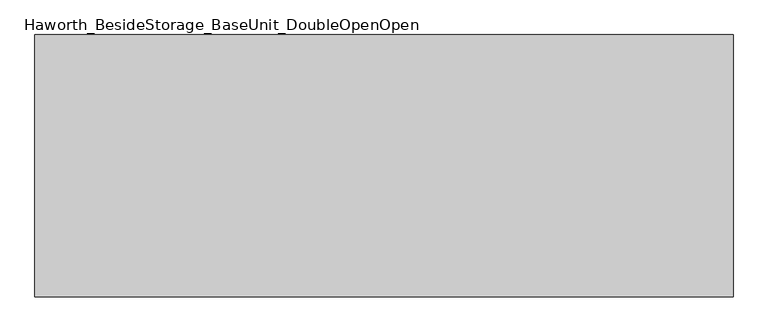
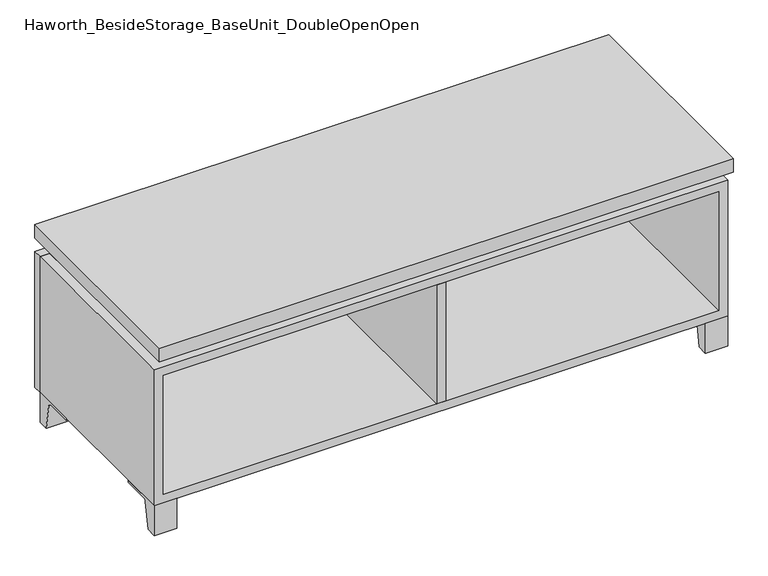
"""IFC4 building model written with IfcOpenShell, lengths in millimetres: furniture geometry, Haworth_BesideStorage_BaseUnit_DoubleOpenOpen."""

from ifc_helpers import new_model, si_unit, point, frame, frame_2d, origin, place, context, project, spatial, polyline, circle_curve, trimmed, segment, composite_curve, outline, extrude, faceted_brep, source, transform, mapped, element, save


def haworth_besidestorage_baseunit_doubleopenopen_cef7a2bd(model_context):
    return source(origin(), model_context, "Body", "SolidModel", [
        extrude(outline(composite_curve([segment(polyline([(44.9791531, 0.0), (22.225, 0.0), (22.225, 66.675), (117.475, 66.675), (117.475, 61.8963321), (60.6744655, 61.8963321)]), True, "CONTINUOUS"), segment(trimmed(circle_curve(frame_2d((60.6744655, 55.5463321)), 6.35), [point((60.6744655, 61.8963321))], [point((54.4108641, 56.5902656))], True, "CARTESIAN"), True, "CONTINUOUS"), segment(polyline([(54.4108641, 56.5902656), (44.9791531, 0.0)]), True, "CONTINUOUS")], self_intersect=False)), frame((-23.7986094, 0.0, 0.0), z_axis=(1.0, 0.0, 0.0), x_axis=(0.0, 1.0, 0.0)), (0.0, 0.0, 1.0), 47.625),
        extrude(outline(composite_curve([segment(polyline([(-123.2958469, 0.0), (-146.05, 0.0), (-146.05, 66.675), (-50.8, 66.675), (-50.8, 61.8963321), (-107.6005345, 61.8963321)]), True, "CONTINUOUS"), segment(trimmed(circle_curve(frame_2d((-107.6005345, 55.5463321)), 6.35), [point((-107.6005345, 61.8963321))], [point((-113.8641359, 56.5902656))], True, "CARTESIAN"), True, "CONTINUOUS"), segment(polyline([(-113.8641359, 56.5902656), (-123.2958469, 0.0)]), True, "CONTINUOUS")], self_intersect=False)), frame((560.4013906, 0.0, 0.0), z_axis=(1.0, 0.0, 0.0), x_axis=(0.0, 1.0, 0.0)), (0.0, 0.0, 1.0), 47.625),
        extrude(outline(composite_curve([segment(polyline([(250.2958469, 0.0), (240.8641359, 56.5902656)]), True, "CONTINUOUS"), segment(trimmed(circle_curve(frame_2d((234.6005345, 55.5463321)), 6.35), [point((240.8641359, 56.5902656))], [point((234.6005345, 61.8963321))], True, "CARTESIAN"), True, "CONTINUOUS"), segment(polyline([(234.6005345, 61.8963321), (177.8, 61.8963321), (177.8, 66.675), (273.05, 66.675), (273.05, 0.0), (250.2958469, 0.0)]), True, "CONTINUOUS")], self_intersect=False)), frame((560.4013906, 0.0, 0.0), z_axis=(1.0, 0.0, 0.0), x_axis=(0.0, 1.0, 0.0)), (0.0, 0.0, 1.0), 47.625),
        extrude(outline(composite_curve([segment(polyline([(-123.2958469, 0.0), (-146.05, 0.0), (-146.05, 66.675), (-50.8, 66.675), (-50.8, 61.8963321), (-107.6005345, 61.8963321)]), True, "CONTINUOUS"), segment(trimmed(circle_curve(frame_2d((-107.6005345, 55.5463321)), 6.35), [point((-107.6005345, 61.8963321))], [point((-113.8641359, 56.5902656))], True, "CARTESIAN"), True, "CONTINUOUS"), segment(polyline([(-113.8641359, 56.5902656), (-123.2958469, 0.0)]), True, "CONTINUOUS")], self_intersect=False)), frame((-607.9986094, 0.0, 0.0), z_axis=(1.0, 0.0, 0.0), x_axis=(0.0, 1.0, 0.0)), (0.0, 0.0, 1.0), 47.625),
        extrude(outline(composite_curve([segment(polyline([(250.2958469, 0.0), (240.8641359, 56.5902656)]), True, "CONTINUOUS"), segment(trimmed(circle_curve(frame_2d((234.6005345, 55.5463321)), 6.35), [point((240.8641359, 56.5902656))], [point((234.6005345, 61.8963321))], True, "CARTESIAN"), True, "CONTINUOUS"), segment(polyline([(234.6005345, 61.8963321), (177.8, 61.8963321), (177.8, 66.675), (273.05, 66.675), (273.05, 0.0), (250.2958469, 0.0)]), True, "CONTINUOUS")], self_intersect=False)), frame((-607.9986094, 0.0, 0.0), z_axis=(1.0, 0.0, 0.0), x_axis=(0.0, 1.0, 0.0)), (0.0, 0.0, 1.0), 47.625),
        faceted_brep([(-607.9986094, -146.05, 66.675), (608.0125, -146.05, 66.675), (608.0125, -146.05, 371.475), (-607.9986094, -146.05, 371.475), (-588.9486094, -146.05, 85.725), (-588.9486094, -146.05, 352.425), (588.9694453, -146.05, 352.425), (588.9486094, -146.05, 85.725), (-607.9986094, 273.05, 66.675), (-607.9986094, 273.05, 371.475), (-588.9486094, 273.05, 371.475), (-588.9486094, 273.05, 85.725), (588.9486094, 273.05, 85.725), (588.9486094, 273.05, 371.475), (608.0125, 273.05, 371.475), (608.0125, 273.05, 66.675), (588.9486094, 247.65, 371.475), (-588.9416641, 247.65, 371.475), (-588.9486094, 247.65, 352.425), (588.9486094, 247.65, 352.425)], [[[0, 1, 2, 3], [4, 5, 6, 7]], [[8, 9, 10, 11, 12, 13, 14, 15]], [[1, 0, 8, 15]], [[2, 1, 15, 14]], [[3, 2, 14, 13, 16, 17, 10, 9]], [[0, 3, 9, 8]], [[11, 10, 17, 18, 5, 4]], [[13, 12, 7, 6, 19, 16]], [[4, 7, 12, 11]], [[6, 5, 18, 19]], [[17, 16, 19, 18]]]),
        extrude(outline(polyline([(608.0263906, -165.1), (-607.9986094, -165.1), (-607.9986094, 292.1), (608.0263906, 292.1), (608.0263906, -165.1)])), frame((0.0, 0.0, 401.6375), z_axis=(0.0, 0.0, 1.0), x_axis=(1.0, 0.0, 0.0)), (0.0, 0.0, 1.0), 30.1625),
        faceted_brep([(7.9513906, -69.85, 401.6375), (7.9513906, -69.85, 371.475), (7.9513906, 53.975, 371.475), (7.9513906, 53.975, 401.6375), (7.9513906, 196.85, 371.475), (7.9513906, 196.85, 401.6375), (7.9513906, 73.025, 401.6375), (7.9513906, 73.025, 371.475), (-7.9236094, 196.85, 401.6375), (-7.9236094, 196.85, 371.475), (-7.9236094, 73.025, 371.475), (-7.9236094, 73.025, 401.6375), (-7.9236094, -69.85, 371.475), (-7.9236094, -69.85, 401.6375), (-7.9236094, 53.975, 401.6375), (-7.9236094, 53.975, 371.475), (-566.6958281, 73.025, 401.6375), (-566.7166641, 247.65, 401.6375), (-582.5916641, 247.65, 401.6375), (-582.5916641, -120.65, 401.6375), (-566.7166641, -120.65, 401.6375), (-566.7166641, 53.975, 401.6375), (566.7236094, 53.975, 401.6375), (566.7236094, -120.65, 401.6375), (582.5986094, -120.65, 401.6375), (582.5986094, 247.65, 401.6375), (566.7236094, 247.65, 401.6375), (566.7236094, 73.025, 401.6375), (-566.6958281, 53.975, 371.475), (-566.7166641, -120.65, 371.475), (-582.5916641, -120.65, 371.475), (-582.5916641, 247.65, 371.475), (-566.7166641, 247.65, 371.475), (-566.7166641, 73.025, 371.475), (566.7236094, 73.025, 371.475), (566.7236094, 247.65, 371.475), (582.5986094, 247.65, 371.475), (582.5986094, -120.65, 371.475), (566.7236094, -120.65, 371.475), (566.7236094, 53.975, 371.475)], [[[0, 1, 2, 3]], [[4, 5, 6, 7]], [[8, 9, 10, 11]], [[12, 13, 14, 15]], [[5, 8, 11, 16, 17, 18, 19, 20, 21, 14, 13, 0, 3, 22, 23, 24, 25, 26, 27, 6]], [[1, 12, 15, 28, 29, 30, 31, 32, 33, 10, 9, 4, 7, 34, 35, 36, 37, 38, 39, 2]], [[5, 4, 9, 8]], [[1, 0, 13, 12]], [[6, 27, 34, 7]], [[22, 3, 2, 39]], [[20, 29, 28, 21]], [[32, 17, 16, 33]], [[18, 31, 30, 19]], [[29, 20, 19, 30]], [[17, 32, 31, 18]], [[26, 35, 34, 27]], [[38, 23, 22, 39]], [[25, 24, 37, 36]], [[23, 38, 37, 24]], [[35, 26, 25, 36]], [[16, 11, 10, 33]], [[14, 21, 28, 15]]]),
        extrude(outline(polyline([(9.5388906, 203.2), (9.5388906, -146.05), (-9.5111094, -146.05), (-9.5111094, 203.2), (9.5388906, 203.2)])), frame((0.0, 0.0, 85.725), z_axis=(0.0, 0.0, 1.0), x_axis=(1.0, 0.0, 0.0)), (0.0, 0.0, 1.0), 266.7),
        extrude(outline(polyline([(608.0263906, 273.05), (-607.9986094, 273.05), (-607.9986094, 292.1), (608.0263906, 292.1), (608.0263906, 273.05)])), frame((0.0, 0.0, 66.675), z_axis=(0.0, 0.0, 1.0), x_axis=(1.0, 0.0, 0.0)), (0.0, 0.0, 1.0), 304.8),
        extrude(outline(polyline([(-588.9416641, 203.2), (-588.9416641, 209.55), (588.9694453, 209.55), (588.9694453, 203.2), (-588.9416641, 203.2)])), frame((0.0, 0.0, 85.725), z_axis=(0.0, 0.0, 1.0), x_axis=(1.0, 0.0, 0.0)), (0.0, 0.0, 1.0), 266.7),
    ])


if __name__ == "__main__":
    model = new_model("IFC4")
    model_context = context("Model", 3, world=origin())
    ifc_project = project(units=[si_unit("LENGTHUNIT", "METRE", prefix="MILLI")], contexts=[model_context])
    site = spatial("IfcSite", under=ifc_project)
    building = spatial("IfcBuilding", under=site)
    placement = place(None, origin())
    haworth_besidestorage_baseunit_doubleopenopen_shape = haworth_besidestorage_baseunit_doubleopenopen_cef7a2bd(model_context)
    element("IfcFurniture", 1, ObjectType="Haworth_BesideStorage_BaseUnit_DoubleOpenOpen", at=placement, inside=building, context=model_context, shape_type="MappedRepresentation", body=[
        mapped(haworth_besidestorage_baseunit_doubleopenopen_shape, transform((0.0, 0.0, 0.0), x_axis=(1.0, 0.0, 0.0), y_axis=(0.0, 1.0, 0.0), z_axis=(0.0, 0.0, 1.0))),
    ])
    save(model, "model.ifc")
